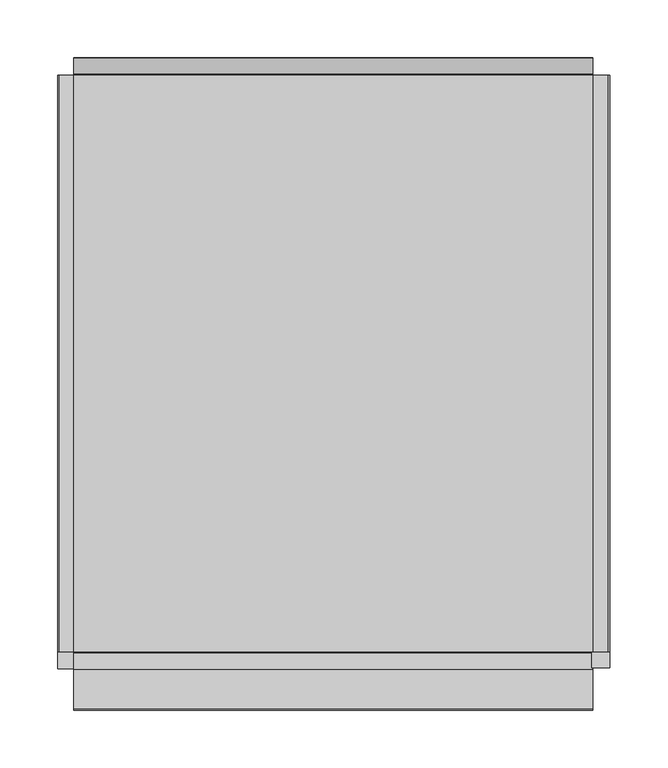
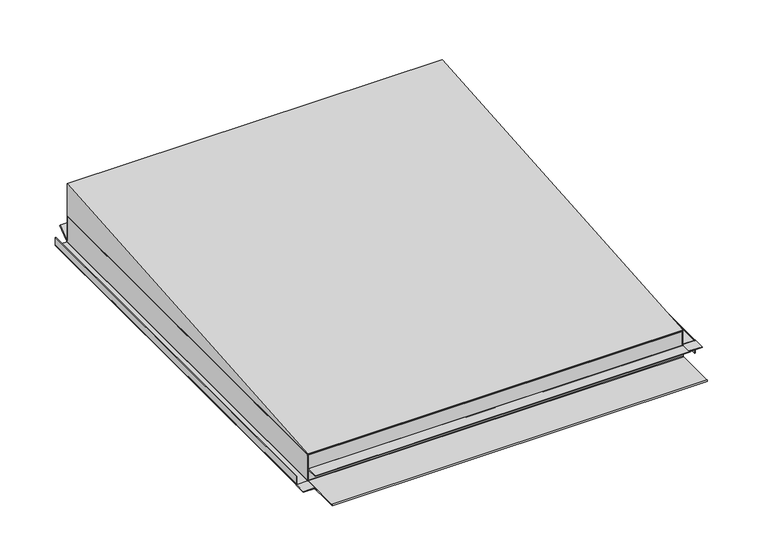
"""IFC4 building model written with IfcOpenShell, lengths in millimetres: proxy geometry."""

from ifc_helpers import new_model, si_unit, point, frame, frame_2d, origin, place, context, project, spatial, polyline, circle_curve, trimmed, segment, composite_curve, outline, extrude, faceted_brep, source, transform, mapped, element, save
from ifc_brep_helpers import plane_surface, cylinder_surface, revolved_surface, advanced_brep


def generic_models_e832572f(model_context):
    return source(origin(), model_context, "Body", "SolidModel", [
        extrude(outline(composite_curve([segment(polyline([(0.33125, -237.7), (0.33125, -225.5)]), True, "CONTINUOUS"), segment(trimmed(circle_curve(frame_2d((1.63125, -225.5)), 1.3), [point((0.33125, -225.5))], [point((1.63125, -224.2))], False, "CARTESIAN"), True, "CONTINUOUS"), segment(polyline([(1.63125, -224.2), (33.33125, -224.2), (33.33125, -225.0), (1.63125, -225.0)]), True, "CONTINUOUS"), segment(trimmed(circle_curve(frame_2d((1.63125, -225.5)), 0.5), [point((1.63125, -225.0))], [point((1.13125, -225.5))], True, "CARTESIAN"), True, "CONTINUOUS"), segment(polyline([(1.13125, -225.5), (1.13125, -237.7)]), True, "CONTINUOUS"), segment(trimmed(circle_curve(frame_2d((1.63125, -237.7)), 0.5), [point((1.13125, -237.7))], [point((1.63125, -238.2))], True, "CARTESIAN"), True, "CONTINUOUS"), segment(polyline([(1.63125, -238.2), (11.33125, -238.2), (11.33125, -239.0), (1.63125, -239.0)]), True, "CONTINUOUS"), segment(trimmed(circle_curve(frame_2d((1.63125, -237.7)), 1.3), [point((1.63125, -239.0))], [point((0.33125, -237.7))], False, "CARTESIAN"), True, "CONTINUOUS")], self_intersect=False)), frame((0.0, -250.0, 0.0), z_axis=(0.0, 1.0, 0.0), x_axis=(0.0, 0.0, 1.0)), (0.0, 0.0, 1.0), 500.0),
        extrude(outline(polyline([(-239.0, -265.0), (-239.0, -250.0), (-224.2, -250.0), (-224.2, -265.0), (-239.0, -265.0)])), frame((0.0, 0.0, 0.33125), z_axis=(0.0, 0.0, 1.0), x_axis=(1.0, 0.0, 0.0)), (0.0, 0.0, 1.0), 0.8),
        extrude(outline(composite_curve([segment(polyline([(15.9, 225.5), (15.9, 238.7)]), True, "CONTINUOUS"), segment(trimmed(circle_curve(frame_2d((15.4, 238.7)), 0.5), [point((15.9, 238.7))], [point((15.4, 239.2))], True, "CARTESIAN"), True, "CONTINUOUS"), segment(polyline([(15.4, 239.2), (0.33125, 239.2), (0.33125, 240.0), (15.4, 240.0)]), True, "CONTINUOUS"), segment(trimmed(circle_curve(frame_2d((15.4, 238.7)), 1.3), [point((15.4, 240.0))], [point((16.7, 238.7))], False, "CARTESIAN"), True, "CONTINUOUS"), segment(polyline([(16.7, 238.7), (16.7, 225.5)]), True, "CONTINUOUS"), segment(trimmed(circle_curve(frame_2d((17.2, 225.5)), 0.5), [point((16.7, 225.5))], [point((17.2, 225.0))], True, "CARTESIAN"), True, "CONTINUOUS"), segment(polyline([(17.2, 225.0), (33.33125, 225.0), (33.33125, 224.2), (17.2, 224.2)]), True, "CONTINUOUS"), segment(trimmed(circle_curve(frame_2d((17.2, 225.5)), 1.3), [point((17.2, 224.2))], [point((15.9, 225.5))], False, "CARTESIAN"), True, "CONTINUOUS")], self_intersect=False)), frame((0.0, -250.0, 0.0), z_axis=(0.0, 1.0, 0.0), x_axis=(0.0, 0.0, 1.0)), (0.0, 0.0, 1.0), 500.0),
        extrude(outline(polyline([(240.0, -264.0), (224.2, -264.0), (224.2, -250.0), (240.0, -250.0), (240.0, -264.0)])), frame((0.0, 0.0, 15.9), z_axis=(0.0, 0.0, 1.0), x_axis=(1.0, 0.0, 0.0)), (0.0, 0.0, 1.0), 0.8),
        extrude(outline(composite_curve([segment(polyline([(-250.5, 0.0), (-300.15, 0.0)]), True, "CONTINUOUS"), segment(trimmed(circle_curve(frame_2d((-300.15, 0.85)), 0.85), [point((-300.15, 0.0))], [point((-300.15, 1.7))], False, "CARTESIAN"), True, "CONTINUOUS"), segment(polyline([(-300.15, 1.7), (-251.55, 1.7)]), True, "CONTINUOUS"), segment(trimmed(circle_curve(frame_2d((-251.55, 2.2)), 0.5), [point((-251.55, 1.7))], [point((-251.05, 2.2))], True, "CARTESIAN"), True, "CONTINUOUS"), segment(polyline([(-251.05, 2.2), (-251.05, 15.4)]), True, "CONTINUOUS"), segment(trimmed(circle_curve(frame_2d((-251.55, 15.4)), 0.5), [point((-251.05, 15.4))], [point((-251.55, 15.9))], True, "CARTESIAN"), True, "CONTINUOUS"), segment(polyline([(-251.55, 15.9), (-265.25, 15.9), (-265.25, 16.7), (-251.55, 16.7)]), True, "CONTINUOUS"), segment(trimmed(circle_curve(frame_2d((-251.55, 15.4)), 1.3), [point((-251.55, 16.7))], [point((-250.25, 15.4))], False, "CARTESIAN"), True, "CONTINUOUS"), segment(polyline([(-250.25, 15.4), (-250.25, 2.2)]), True, "CONTINUOUS"), segment(trimmed(circle_curve(frame_2d((-251.55, 2.2)), 1.3), [point((-250.25, 2.2))], [point((-251.55, 0.9))], False, "CARTESIAN"), True, "CONTINUOUS"), segment(polyline([(-251.55, 0.9), (-290.65, 0.9), (-250.5, 0.8)]), True, "CONTINUOUS"), segment(trimmed(circle_curve(frame_2d((-250.5, 1.3)), 0.5), [point((-250.5, 0.8))], [point((-250.0, 1.3))], True, "CARTESIAN"), True, "CONTINUOUS"), segment(polyline([(-250.0, 1.3), (-250.0, 33.0), (-249.2, 33.0), (-249.2, 1.3)]), True, "CONTINUOUS"), segment(trimmed(circle_curve(frame_2d((-250.5, 1.3)), 1.3), [point((-249.2, 1.3))], [point((-250.5, 0.0))], False, "CARTESIAN"), True, "CONTINUOUS")], self_intersect=False)), frame((-225.0, 0.0, 0.0), z_axis=(1.0, 0.0, 0.0), x_axis=(0.0, 1.0, 0.0)), (0.0, 0.0, 1.0), 450.0),
        advanced_brep(
        [(225.0, 250.0, 3.3), (225.0, 250.0, 33.0), (225.0, 249.2, 33.0), (225.0, 249.2, 3.3), (225.0, 251.4200663, 2.3815894), (225.0, 265.1302674, 12.712967), (225.0, 264.6488154, 13.3518754), (225.0, 250.8830222, 2.9786062), (-225.0, 250.0, 3.3), (-225.0, 250.8830222, 2.9786062), (-225.0, 264.6488154, 13.3518754), (-225.0, 265.1302674, 12.712967), (-225.0, 251.3644742, 2.3396978), (-225.0, 249.2, 3.3), (-225.0, 249.2, 33.0), (-225.0, 250.0, 33.0)],
        [
            (0, 1),
            (1, 2),
            (2, 3),
            (3, 4, circle_curve(frame((225.0, 250.5, 3.3), z_axis=(1.0, 0.0, 0.0), x_axis=(0.0, 1.0, 0.0)), 1.3)),
            (4, 5),
            (5, 6),
            (6, 7),
            (7, 0, circle_curve(frame((225.0, 250.5, 3.3), z_axis=(-1.0, 0.0, 0.0), x_axis=(0.0, 1.0, 0.0)), 0.5)),
            (8, 9, circle_curve(frame((-225.0, 250.5, 3.3), z_axis=(1.0, 0.0, 0.0), x_axis=(0.0, 1.0, 0.0)), 0.5)),
            (9, 10),
            (10, 11),
            (11, 12),
            (12, 13, circle_curve(frame((-225.0, 250.5, 3.3), z_axis=(-1.0, 0.0, 0.0), x_axis=(0.0, 1.0, 0.0)), 1.3)),
            (13, 14),
            (14, 15),
            (15, 8),
            (0, 8),
            (15, 1),
            (7, 9),
            (6, 10),
            (3, 13),
            (12, 4),
            (2, 14),
            (5, 11),
        ],
        [
            plane_surface(frame((225.0, 251.0, 3.3), z_axis=(1.0, 0.0, 0.0), x_axis=(0.0, 0.0, 1.0))),
            plane_surface(frame((-225.0, 251.0, 3.3), z_axis=(-1.0, 0.0, 0.0), x_axis=(0.0, 0.0, -1.0))),
            plane_surface(frame((225.0, 250.0, 33.0), z_axis=(0.0, 1.0, 0.0), x_axis=(-1.0, 0.0, 0.0))),
            revolved_surface(polyline([(-225.0, 251.0, 3.3), (225.0, 251.0, 3.3)]), (-225.0, 250.5, 3.3), (-1.0, 0.0, 0.0)),
            plane_surface(frame((225.0, 250.8830222, 2.9786062), z_axis=(0.0, -0.6018150231519699, 0.798635510047352), x_axis=(-1.0, 0.0, 0.0))),
            cylinder_surface(frame((-225.0, 250.5, 3.3), z_axis=(1.0, 0.0, 0.0), x_axis=(0.0, 1.0, 0.0)), 1.3),
            plane_surface(frame((225.0, 249.2, 3.3), z_axis=(0.0, -1.0, 0.0), x_axis=(-1.0, 0.0, 0.0))),
            plane_surface(frame((225.0, 249.2, 33.0), z_axis=(0.0, 0.0, 1.0), x_axis=(-1.0, 0.0, 0.0))),
            plane_surface(frame((225.0, 264.6488154, 13.3518754), z_axis=(0.0, 0.798635510047358, 0.6018150231519618), x_axis=(-1.0, 0.0, 0.0))),
            plane_surface(frame((225.0, 265.1302674, 12.712967), z_axis=(0.0, 0.6018150231519698, -0.798635510047352), x_axis=(-1.0, 0.0, 0.0))),
        ],
        [
            (0, [[1, 2, 3, 4, 5, 6, 7, 8]]),
            (1, [[9, 10, 11, 12, 13, 14, 15, 16]]),
            (2, [[17, -16, 18, -1]]),
            (3, [[19, -9, -17, -8]]),
            (4, [[20, -10, -19, -7]]),
            (5, [[21, -13, 22, -4]]),
            (6, [[23, -14, -21, -3]]),
            (7, [[-18, -15, -23, -2]]),
            (8, [[24, -11, -20, -6]]),
            (9, [[-22, -12, -24, -5]]),
        ],
    ),
        faceted_brep([(-225.0, -250.0, 34.0), (225.0, -250.0, 34.0), (225.0, 250.0, 34.0), (-225.0, 250.0, 34.0), (-225.0, -250.0, 33.0), (-225.0, -249.2, 33.0), (-225.0, 250.0, 33.0), (225.0, 250.0, 33.0), (225.0, -249.2, 33.0), (225.0, -250.0, 33.0)], [[[0, 1, 2, 3]], [[4, 5, 6, 7, 8, 9]], [[3, 6, 5, 4, 0]], [[2, 7, 6, 3]], [[1, 9, 8, 7, 2]], [[0, 4, 9, 1]]]),
        extrude(outline(polyline([(-250.0, 33.8), (-250.0, 35.0), (250.0, 75.0), (250.0, 33.8), (-250.0, 33.8)])), frame((-225.0, 0.0, 0.0), z_axis=(1.0, 0.0, 0.0), x_axis=(0.0, 1.0, 0.0)), (0.0, 0.0, 1.0), 450.0),
    ])


if __name__ == "__main__":
    model = new_model("IFC4")
    model_context = context("Model", 3, world=origin())
    ifc_project = project(units=[si_unit("LENGTHUNIT", "METRE", prefix="MILLI")], contexts=[model_context])
    site = spatial("IfcSite", under=ifc_project)
    building = spatial("IfcBuilding", under=site)
    placement = place(None, origin())
    generic_models_shape = generic_models_e832572f(model_context)
    element("IfcBuildingElementProxy", 1, Name="Generic Models", at=placement, inside=building, context=model_context, shape_type="MappedRepresentation", body=[
        mapped(generic_models_shape, transform((0.0, 0.0, 0.0), x_axis=(1.0, 0.0, 0.0), y_axis=(0.0, 1.0, 0.0), z_axis=(0.0, 0.0, 1.0))),
    ])
    save(model, "model.ifc")
